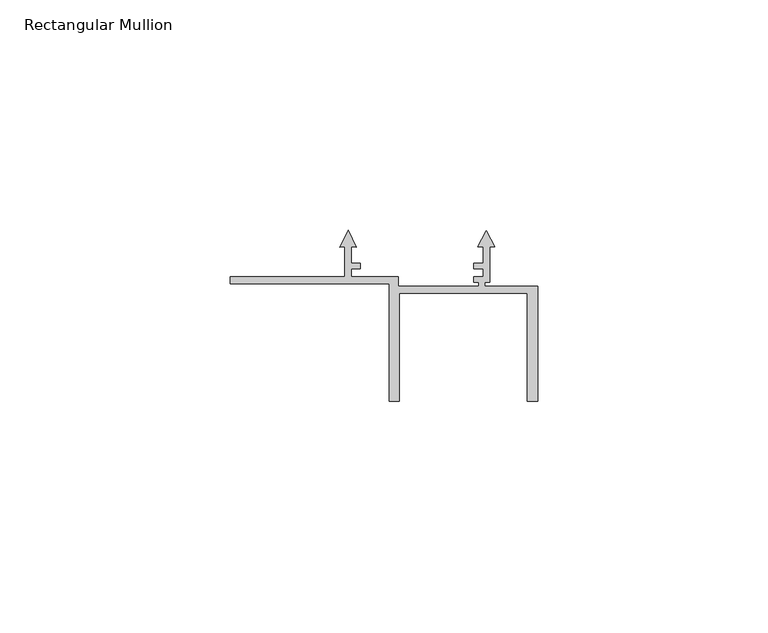
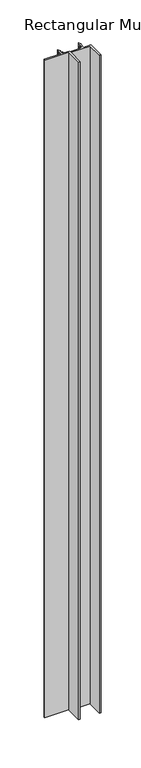
"""IFC4 building model written with IfcOpenShell, lengths in millimetres: member geometry, Rectangular Mullion."""

from ifc_helpers import new_model, si_unit, frame, origin, place, context, project, spatial, polyline, outline, extrude, source, transform, mapped, element, save


def rectangular_mullion_1797d992(model_context):
    return source(origin(), model_context, "Body", "SweptSolid", [
        extrude(outline(polyline([(-66.6, -36.1000494), (-66.6, -34.6000494), (-41.8, -34.6000494), (-41.8, -28.0071867), (-42.9255299, -28.1056578), (-41.0999986, -24.5228474), (-39.2744672, -28.1056581), (-40.3999998, -28.0071867), (-40.3999998, -31.599221), (-38.4077357, -31.599221), (-38.4077357, -32.8000494), (-40.3999995, -32.8000494), (-40.3999995, -34.6000494), (-30.1732051, -34.6000494), (-30.1732051, -36.6000494), (-12.8, -36.6000494), (-12.8, -35.8015754), (-13.7880766, -35.8015754), (-13.7880766, -34.6000494), (-11.8091794, -34.6000494), (-11.8091794, -32.8000494), (-13.7875618, -32.8000494), (-13.7875618, -31.5979618), (-11.7999987, -31.5979618), (-11.7999987, -28.0038712), (-12.9157351, -28.1014855), (-11.0999986, -24.537898), (-9.284262, -28.1014855), (-10.3999985, -28.0038712), (-10.3999985, -35.8015754), (-11.4, -35.8015754), (-11.4, -36.6000494), (0.0, -36.6000494), (0.0, -61.6000494), (-2.2, -61.6000494), (-2.2, -38.1000494), (-30.0, -38.1000494), (-30.0, -61.6000494), (-32.2, -61.6000494), (-32.2, -36.1000494), (-66.6, -36.1000494)])), frame((0.0, 0.0, -1000.0), z_axis=(0.0, 0.0, 1.0), x_axis=(1.0, 0.0, 0.0)), (0.0, 0.0, 1.0), 1000.0),
    ])


if __name__ == "__main__":
    model = new_model("IFC4")
    model_context = context("Model", 3, world=origin())
    ifc_project = project(units=[si_unit("LENGTHUNIT", "METRE", prefix="MILLI")], contexts=[model_context])
    site = spatial("IfcSite", under=ifc_project)
    building = spatial("IfcBuilding", under=site)
    placement = place(None, origin())
    rectangular_mullion_shape = rectangular_mullion_1797d992(model_context)
    element("IfcMember", 1, ObjectType="Rectangular Mullion", at=placement, inside=building, context=model_context, shape_type="MappedRepresentation", body=[
        mapped(rectangular_mullion_shape, transform((0.0, 0.0, 0.0), x_axis=(1.0, 0.0, 0.0), y_axis=(0.0, 1.0, 0.0), z_axis=(0.0, 0.0, 1.0))),
    ])
    save(model, "model.ifc")
